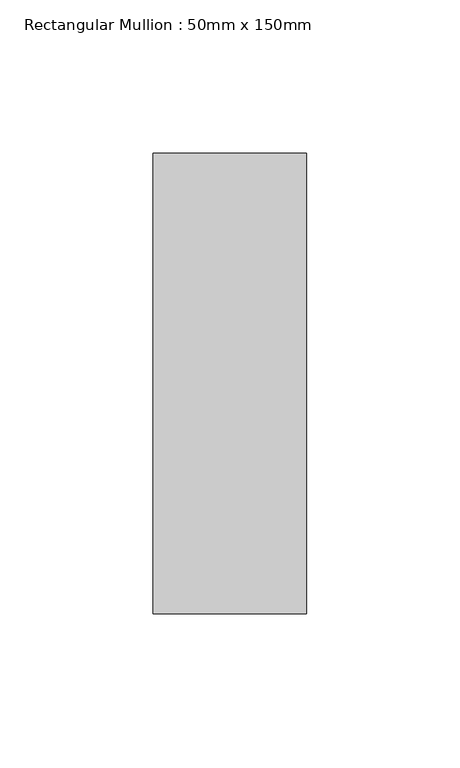
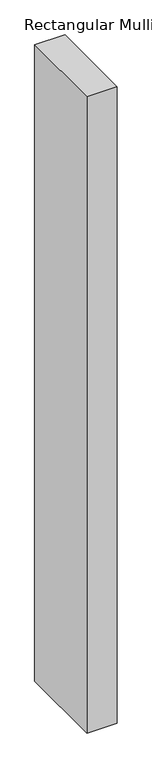
"""IFC4 building model written with IfcOpenShell, lengths in millimetres: member geometry, Rectangular Mullion : 50mm x 150mm."""

from ifc_helpers import new_model, si_unit, frame, origin, place, context, project, spatial, polyline, outline, extrude, source, transform, mapped, element, save


def rectangular_mullion_50mm_x_150mm_1f181745(model_context):
    return source(origin(), model_context, "Body", "SweptSolid", [
        extrude(outline(polyline([(25.0, 75.0), (25.0, -75.0), (-25.0, -75.0), (-25.0, 75.0), (25.0, 75.0)])), frame((0.0, 0.0, -1112.4999999), z_axis=(0.0, 0.0, 1.0), x_axis=(1.0, 0.0, 0.0)), (0.0, 0.0, 1.0), 1112.4999999),
    ])


if __name__ == "__main__":
    model = new_model("IFC4")
    model_context = context("Model", 3, world=origin())
    ifc_project = project(units=[si_unit("LENGTHUNIT", "METRE", prefix="MILLI")], contexts=[model_context])
    site = spatial("IfcSite", under=ifc_project)
    building = spatial("IfcBuilding", under=site)
    placement = place(None, origin())
    rectangular_mullion_50mm_x_150mm_shape = rectangular_mullion_50mm_x_150mm_1f181745(model_context)
    element("IfcMember", 1, ObjectType="Rectangular Mullion : 50mm x 150mm", at=placement, inside=building, context=model_context, shape_type="MappedRepresentation", body=[
        mapped(rectangular_mullion_50mm_x_150mm_shape, transform((0.0, 0.0, 0.0), x_axis=(1.0, 0.0, 0.0), y_axis=(0.0, 1.0, 0.0), z_axis=(0.0, 0.0, 1.0))),
    ])
    save(model, "model.ifc")
